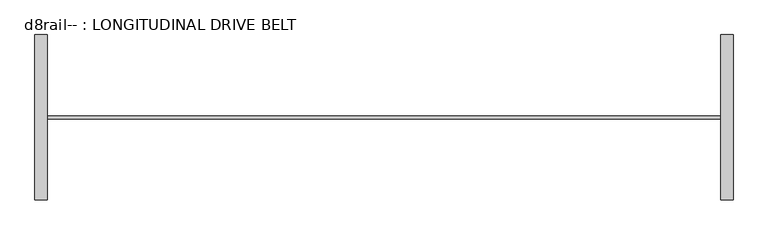
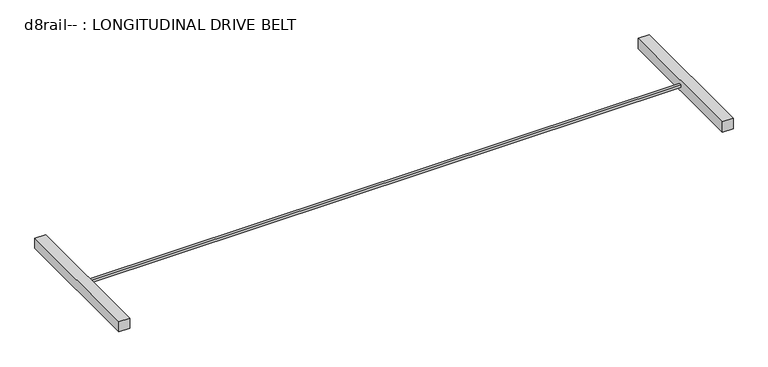
"""IFC4 building model written with IfcOpenShell, lengths in millimetres: proxy geometry, d8rail-- : LONGITUDINAL DRIVE BELT."""

from ifc_helpers import new_model, si_unit, frame, origin, place, context, project, spatial, polyline, outline, extrude, source, transform, mapped, element, save


def d8rail_longitudinal_drive_belt_68c6f957(model_context):
    return source(origin(), model_context, "Body", "SweptSolid", [
        extrude(outline(polyline([(-836.7326012, -452.9970657), (-836.7326012, -1824.5970657), (-938.3326012, -1824.5970657), (-938.3326012, -452.9970657), (-836.7326012, -452.9970657)])), frame((0.0, 0.0, 2641.6), z_axis=(0.0, 0.0, 1.0), x_axis=(1.0, 0.0, 0.0)), (0.0, 0.0, 1.0), 101.6),
        extrude(outline(polyline([(4751.2673988, -452.9970657), (4852.8673988, -452.9970657), (4852.8673988, -1824.5970657), (4751.2673988, -1824.5970657), (4751.2673988, -452.9970657)])), frame((0.0, 0.0, 2641.6), z_axis=(0.0, 0.0, 1.0), x_axis=(1.0, 0.0, 0.0)), (0.0, 0.0, 1.0), 101.6),
        extrude(outline(polyline([(-836.7326012, -1126.0970657), (4751.2673988, -1126.0970657), (4751.2673988, -1151.4970657), (-836.7326012, -1151.4970657), (-836.7326012, -1126.0970657)])), frame((0.0, 0.0, 2679.7), z_axis=(0.0, 0.0, 1.0), x_axis=(1.0, 0.0, 0.0)), (0.0, 0.0, 1.0), 25.4),
    ])


if __name__ == "__main__":
    model = new_model("IFC4")
    model_context = context("Model", 3, world=origin())
    ifc_project = project(units=[si_unit("LENGTHUNIT", "METRE", prefix="MILLI")], contexts=[model_context])
    site = spatial("IfcSite", under=ifc_project)
    building = spatial("IfcBuilding", under=site)
    placement = place(None, origin())
    d8rail_longitudinal_drive_belt_shape = d8rail_longitudinal_drive_belt_68c6f957(model_context)
    element("IfcBuildingElementProxy", 1, Name="d8rail-- : LONGITUDINAL DRIVE BELT", ObjectType="d8rail-- : LONGITUDINAL DRIVE BELT", at=placement, inside=building, context=model_context, shape_type="MappedRepresentation", body=[
        mapped(d8rail_longitudinal_drive_belt_shape, transform((0.0, 0.0, 0.0), x_axis=(1.0, 0.0, 0.0), y_axis=(0.0, 1.0, 0.0), z_axis=(0.0, 0.0, 1.0))),
    ])
    save(model, "model.ifc")
